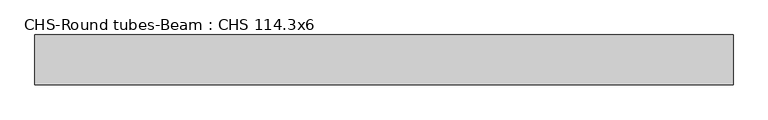
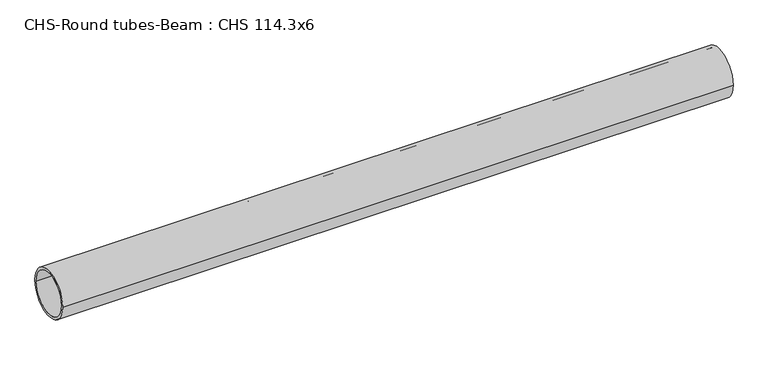
"""IFC4 building model written with IfcOpenShell, lengths in millimetres: beam geometry, CHS-Round tubes-Beam : CHS 114.3x6."""

from ifc_helpers import new_model, si_unit, point, frame, origin, origin_2d, place, context, project, spatial, circle_curve, trimmed, segment, composite_curve, outline, extrude, source, transform, mapped, element, save


def chs_round_tubes_beam_chs_114_3x6_c07dae10(model_context):
    return source(origin(), model_context, "Body", "SweptSolid", [
        extrude(outline(composite_curve([segment(trimmed(circle_curve(origin_2d(), 57.15), [point((57.15, 0.0))], [point((-57.15, 0.0))], False, "CARTESIAN"), True, "CONTINUOUS"), segment(trimmed(circle_curve(origin_2d(), 57.15), [point((-57.15, 0.0))], [point((57.15, 0.0))], False, "CARTESIAN"), True, "CONTINUOUS")], self_intersect=False), holes=[composite_curve([segment(trimmed(circle_curve(origin_2d(), 51.15), [point((51.15, 0.0))], [point((-51.15, 0.0))], True, "CARTESIAN"), True, "CONTINUOUS"), segment(trimmed(circle_curve(origin_2d(), 51.15), [point((-51.15, 0.0))], [point((51.15, 0.0))], True, "CARTESIAN"), True, "CONTINUOUS")], self_intersect=False)]), frame((-790.1163426, 0.0, 0.0), z_axis=(1.0, 0.0, 0.0), x_axis=(0.0, 1.0, 0.0)), (0.0, 0.0, 1.0), 1594.3539983),
    ])


if __name__ == "__main__":
    model = new_model("IFC4")
    model_context = context("Model", 3, world=origin())
    ifc_project = project(units=[si_unit("LENGTHUNIT", "METRE", prefix="MILLI")], contexts=[model_context])
    site = spatial("IfcSite", under=ifc_project)
    building = spatial("IfcBuilding", under=site)
    placement = place(None, origin())
    chs_round_tubes_beam_chs_114_3x6_shape = chs_round_tubes_beam_chs_114_3x6_c07dae10(model_context)
    element("IfcBeam", 1, ObjectType="CHS-Round tubes-Beam : CHS 114.3x6", at=placement, inside=building, context=model_context, shape_type="MappedRepresentation", body=[
        mapped(chs_round_tubes_beam_chs_114_3x6_shape, transform((0.0, 0.0, 0.0), x_axis=(1.0, 0.0, 0.0), y_axis=(0.0, 1.0, 0.0), z_axis=(0.0, 0.0, 1.0))),
    ])
    save(model, "model.ifc")
